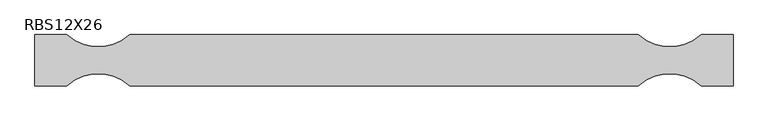
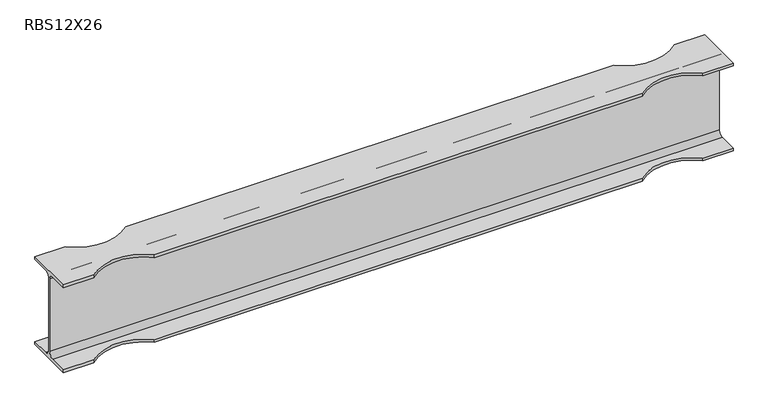
"""IFC4 building model written with IfcOpenShell, lengths in millimetres: beam geometry, RBS12X26."""

from ifc_helpers import new_model, si_unit, frame, origin, place, context, project, spatial, polyline, circle_curve, source, transform, mapped, element, save
from ifc_brep_helpers import plane_surface, revolved_surface, advanced_brep


def rbs12x26_81e14c49(model_context):
    return source(origin(), model_context, "Body", "AdvancedBrep", [
        advanced_brep(
        [(1116.9075003, 82.4011719, -145.5539063), (1116.9075003, 20.2902344, -145.5539063), (1116.9075003, 2.9269531, -128.190625), (1116.9075003, 2.9269531, 128.190625), (1116.9075003, 20.2902344, 145.5539062), (1116.9075003, 82.4011719, 145.5539062), (1116.9075003, 82.4011719, 155.178125), (1116.9075003, -82.4011719, 155.178125), (1116.9075003, -82.4011719, 145.5539062), (1116.9075003, -20.2902344, 145.5539062), (1116.9075003, -2.9269531, 128.190625), (1116.9075003, -2.9269531, -128.190625), (1116.9075003, -20.2902344, -145.5539063), (1116.9075003, -82.4011719, -145.5539063), (1116.9075003, -82.4011719, -155.178125), (1116.9075003, 82.4011719, -155.178125), (-1125.0163785, 82.4011719, -145.5539063), (-1125.0163785, 82.4011719, -155.178125), (-1125.0163785, -82.4011719, -155.178125), (-1125.0163785, -82.4011719, -145.5539063), (-1125.0163785, -20.2902344, -145.5539063), (-1125.0163785, -2.9269531, -128.190625), (-1125.0163785, -2.9269531, 128.190625), (-1125.0163785, -20.2902344, 145.5539062), (-1125.0163785, -82.4011719, 145.5539062), (-1125.0163785, -82.4011719, 155.178125), (-1125.0163785, 82.4011719, 155.178125), (-1125.0163785, 82.4011719, 145.5539062), (-1125.0163785, 20.2902344, 145.5539062), (-1125.0163785, 2.9269531, 128.190625), (-1125.0163785, 2.9269531, -128.190625), (-1125.0163785, 20.2902344, -145.5539063), (1015.3075003, 82.4011719, -145.5539063), (812.1075003, 82.4011719, -145.5539063), (-820.2163785, 82.4011719, -145.5539063), (-1023.4163785, 82.4011719, -145.5539063), (-1023.4163785, 82.4011719, 145.5539062), (-820.2163785, 82.4011719, 145.5539062), (812.1075003, 82.4011719, 145.5539062), (1015.3075003, 82.4011719, 145.5539062), (1015.3075003, 82.4011719, 155.178125), (-1023.4163785, 82.4011719, 155.178125), (-820.2163785, 82.4011719, 155.178125), (812.1075003, 82.4011719, 155.178125), (-1023.4163785, -82.4011719, 155.178125), (-820.2163785, -82.4011719, 155.178125), (812.1075003, -82.4011719, 155.178125), (1015.3075003, -82.4011719, 155.178125), (1015.3075003, -82.4011719, 145.5539062), (-1023.4163785, -82.4011719, 145.5539062), (-820.2163785, -82.4011719, 145.5539062), (812.1075003, -82.4011719, 145.5539062), (-1023.4163785, -82.4011719, -145.5539063), (-820.2163785, -82.4011719, -145.5539063), (812.1075003, -82.4011719, -145.5539063), (1015.3075003, -82.4011719, -145.5539063), (1015.3075003, -82.4011719, -155.178125), (-1023.4163785, -82.4011719, -155.178125), (-820.2163785, -82.4011719, -155.178125), (812.1075003, -82.4011719, -155.178125), (-1023.4163785, 82.4011719, -155.178125), (-820.2163785, 82.4011719, -155.178125), (812.1075003, 82.4011719, -155.178125), (1015.3075003, 82.4011719, -155.178125)],
        [
            (0, 1),
            (1, 2, circle_curve(frame((1116.9075003, 20.2902344, -128.190625), z_axis=(-1.0, 0.0, 0.0), x_axis=(0.0, -1.0, 0.0)), 17.3632812)),
            (2, 3),
            (3, 4, circle_curve(frame((1116.9075003, 20.2902344, 128.190625), z_axis=(-1.0, 0.0, 0.0), x_axis=(0.0, -1.0, 0.0)), 17.3632812)),
            (4, 5),
            (5, 6),
            (6, 7),
            (7, 8),
            (8, 9),
            (9, 10, circle_curve(frame((1116.9075003, -20.2902344, 128.190625), z_axis=(-1.0, 0.0, 0.0), x_axis=(0.0, -1.0, 0.0)), 17.3632812)),
            (10, 11),
            (11, 12, circle_curve(frame((1116.9075003, -20.2902344, -128.190625), z_axis=(-1.0, 0.0, 0.0), x_axis=(0.0, -1.0, 0.0)), 17.3632812)),
            (12, 13),
            (13, 14),
            (14, 15),
            (15, 0),
            (16, 17),
            (17, 18),
            (18, 19),
            (19, 20),
            (20, 21, circle_curve(frame((-1125.0163785, -20.2902344, -128.190625), z_axis=(1.0, 0.0, 0.0), x_axis=(0.0, -1.0, 0.0)), 17.3632812)),
            (21, 22),
            (22, 23, circle_curve(frame((-1125.0163785, -20.2902344, 128.190625), z_axis=(1.0, 0.0, 0.0), x_axis=(0.0, -1.0, 0.0)), 17.3632812)),
            (23, 24),
            (24, 25),
            (25, 26),
            (26, 27),
            (27, 28),
            (28, 29, circle_curve(frame((-1125.0163785, 20.2902344, 128.190625), z_axis=(1.0, 0.0, 0.0), x_axis=(0.0, -1.0, 0.0)), 17.3632812)),
            (29, 30),
            (30, 31, circle_curve(frame((-1125.0163785, 20.2902344, -128.190625), z_axis=(1.0, 0.0, 0.0), x_axis=(0.0, -1.0, 0.0)), 17.3632812)),
            (31, 16),
            (0, 32),
            (32, 33, circle_curve(frame((913.7075003, 195.9934251, -145.5539063), z_axis=(0.0, 0.0, -1.0), x_axis=(0.0, 1.0, 0.0)), 152.4)),
            (33, 34),
            (34, 35, circle_curve(frame((-921.8163785, 195.9934251, -145.5539063), z_axis=(0.0, 0.0, -1.0), x_axis=(0.0, 1.0, 0.0)), 152.4)),
            (35, 16),
            (31, 1),
            (30, 2),
            (29, 3),
            (28, 4),
            (27, 36),
            (36, 37, circle_curve(frame((-921.8163785, 195.9934251, 145.5539062), z_axis=(0.0, 0.0, 1.0), x_axis=(0.0, 1.0, 0.0)), 152.4)),
            (37, 38),
            (38, 39, circle_curve(frame((913.7075003, 195.9934251, 145.5539062), z_axis=(0.0, 0.0, 1.0), x_axis=(0.0, 1.0, 0.0)), 152.4)),
            (39, 5),
            (39, 40),
            (40, 6),
            (26, 41),
            (41, 36),
            (37, 42),
            (42, 43),
            (43, 38),
            (40, 43, circle_curve(frame((913.7075003, 195.9934251, 155.178125), z_axis=(0.0, 0.0, -1.0), x_axis=(0.0, 1.0, 0.0)), 152.4)),
            (42, 41, circle_curve(frame((-921.8163785, 195.9934251, 155.178125), z_axis=(0.0, 0.0, -1.0), x_axis=(0.0, 1.0, 0.0)), 152.4)),
            (25, 44),
            (44, 45, circle_curve(frame((-921.8163785, -195.9934251, 155.178125), z_axis=(0.0, 0.0, -1.0), x_axis=(0.0, 1.0, 0.0)), 152.4)),
            (45, 46),
            (46, 47, circle_curve(frame((913.7075003, -195.9934251, 155.178125), z_axis=(0.0, 0.0, -1.0), x_axis=(0.0, 1.0, 0.0)), 152.4)),
            (47, 7),
            (47, 48),
            (48, 8),
            (24, 49),
            (49, 44),
            (45, 50),
            (50, 51),
            (51, 46),
            (48, 51, circle_curve(frame((913.7075003, -195.9934251, 145.5539062), z_axis=(0.0, 0.0, 1.0), x_axis=(0.0, 1.0, 0.0)), 152.4)),
            (50, 49, circle_curve(frame((-921.8163785, -195.9934251, 145.5539062), z_axis=(0.0, 0.0, 1.0), x_axis=(0.0, 1.0, 0.0)), 152.4)),
            (23, 9),
            (22, 10),
            (21, 11),
            (20, 12),
            (19, 52),
            (52, 53, circle_curve(frame((-921.8163785, -195.9934251, -145.5539063), z_axis=(0.0, 0.0, -1.0), x_axis=(0.0, 1.0, 0.0)), 152.4)),
            (53, 54),
            (54, 55, circle_curve(frame((913.7075003, -195.9934251, -145.5539063), z_axis=(0.0, 0.0, -1.0), x_axis=(0.0, 1.0, 0.0)), 152.4)),
            (55, 13),
            (55, 56),
            (56, 14),
            (18, 57),
            (57, 52),
            (53, 58),
            (58, 59),
            (59, 54),
            (56, 59, circle_curve(frame((913.7075003, -195.9934251, -155.178125), z_axis=(0.0, 0.0, 1.0), x_axis=(0.0, 1.0, 0.0)), 152.4)),
            (58, 57, circle_curve(frame((-921.8163785, -195.9934251, -155.178125), z_axis=(0.0, 0.0, 1.0), x_axis=(0.0, 1.0, 0.0)), 152.4)),
            (17, 60),
            (60, 61, circle_curve(frame((-921.8163785, 195.9934251, -155.178125), z_axis=(0.0, 0.0, 1.0), x_axis=(0.0, 1.0, 0.0)), 152.4)),
            (61, 62),
            (62, 63, circle_curve(frame((913.7075003, 195.9934251, -155.178125), z_axis=(0.0, 0.0, 1.0), x_axis=(0.0, 1.0, 0.0)), 152.4)),
            (63, 15),
            (63, 32),
            (35, 60),
            (61, 34),
            (33, 62),
        ],
        [
            plane_surface(frame((1116.9075003, 0.0, 0.0), z_axis=(1.0, 0.0, 0.0), x_axis=(0.0, 0.0, 1.0))),
            plane_surface(frame((-1125.0163785, 0.0, 0.0), z_axis=(-1.0, 0.0, 0.0), x_axis=(0.0, 0.0, 1.0))),
            plane_surface(frame((1116.9075003, 82.4011719, -145.5539063), z_axis=(0.0, 0.0, 1.0), x_axis=(-1.0, 0.0, 0.0))),
            revolved_surface(polyline([(-1125.0163785000002, 2.9269532, -128.190625), (1116.9075003, 2.9269532, -128.190625)]), (1116.9075003, 20.2902344, -128.190625), (-1.0, 0.0, 0.0)),
            plane_surface(frame((1116.9075003, 2.9269531, -128.190625), z_axis=(0.0, 1.0, 0.0), x_axis=(-1.0, 0.0, 0.0))),
            revolved_surface(polyline([(-1125.0163785000002, 2.9269532, 128.190625), (1116.9075003, 2.9269532, 128.190625)]), (1116.9075003, 20.2902344, 128.190625), (-1.0, 0.0, 0.0)),
            plane_surface(frame((1116.9075003, 20.2902344, 145.5539062), z_axis=(0.0, 0.0, -1.0), x_axis=(-1.0, 0.0, 0.0))),
            plane_surface(frame((1116.9075003, 82.4011719, 145.5539062), z_axis=(0.0, 1.0, 0.0), x_axis=(-1.0, 0.0, 0.0))),
            plane_surface(frame((1116.9075003, 82.4011719, 155.178125), z_axis=(0.0, 0.0, 1.0), x_axis=(-1.0, 0.0, 0.0))),
            plane_surface(frame((1116.9075003, -82.4011719, 155.178125), z_axis=(0.0, -1.0, 0.0), x_axis=(-1.0, 0.0, 0.0))),
            plane_surface(frame((1116.9075003, -82.4011719, 145.5539062), z_axis=(0.0, 0.0, -1.0), x_axis=(-1.0, 0.0, 0.0))),
            revolved_surface(polyline([(-1125.0163785000002, -37.6535156, 128.190625), (1116.9075003, -37.6535156, 128.190625)]), (1116.9075003, -20.2902344, 128.190625), (-1.0, 0.0, 0.0)),
            plane_surface(frame((1116.9075003, -2.9269531, 128.190625), z_axis=(0.0, -1.0, 0.0), x_axis=(-1.0, 0.0, 0.0))),
            revolved_surface(polyline([(-1125.0163785000002, -37.6535156, -128.190625), (1116.9075003, -37.6535156, -128.190625)]), (1116.9075003, -20.2902344, -128.190625), (-1.0, 0.0, 0.0)),
            plane_surface(frame((1116.9075003, -20.2902344, -145.5539063), z_axis=(0.0, 0.0, 1.0), x_axis=(-1.0, 0.0, 0.0))),
            plane_surface(frame((1116.9075003, -82.4011719, -145.5539063), z_axis=(0.0, -1.0, 0.0), x_axis=(-1.0, 0.0, 0.0))),
            plane_surface(frame((1116.9075003, -82.4011719, -155.178125), z_axis=(0.0, 0.0, -1.0), x_axis=(-1.0, 0.0, 0.0))),
            plane_surface(frame((1116.9075003, 82.4011719, -155.178125), z_axis=(0.0, 1.0, 0.0), x_axis=(-1.0, 0.0, 0.0))),
            revolved_surface(polyline([(-921.8163785, -43.59342509999999, 155.178125), (-921.8163785, -43.59342509999999, 145.5539062)]), (-921.8163785, -195.9934251, -155.178125), (0.0, 0.0, 1.0)),
            revolved_surface(polyline([(-921.8163785, -43.59342509999999, -145.5539063), (-921.8163785, -43.59342509999999, -155.178125)]), (-921.8163785, -195.9934251, -155.178125), (0.0, 0.0, 1.0)),
            revolved_surface(polyline([(-921.8163785, 348.3934251, -145.5539063), (-921.8163785, 348.3934251, -155.178125)]), (-921.8163785, 195.9934251, -155.178125), (0.0, 0.0, 1.0)),
            revolved_surface(polyline([(-921.8163785, 348.3934251, 155.178125), (-921.8163785, 348.3934251, 145.5539062)]), (-921.8163785, 195.9934251, -155.178125), (0.0, 0.0, 1.0)),
            revolved_surface(polyline([(913.7075003, -43.59342509999999, 155.178125), (913.7075003, -43.59342509999999, 145.5539062)]), (913.7075003, -195.9934251, -155.178125), (0.0, 0.0, 1.0)),
            revolved_surface(polyline([(913.7075003, -43.59342509999999, -145.5539063), (913.7075003, -43.59342509999999, -155.178125)]), (913.7075003, -195.9934251, -155.178125), (0.0, 0.0, 1.0)),
            revolved_surface(polyline([(913.7075003, 348.3934251, -145.5539063), (913.7075003, 348.3934251, -155.178125)]), (913.7075003, 195.9934251, -155.178125), (0.0, 0.0, 1.0)),
            revolved_surface(polyline([(913.7075003, 348.3934251, 155.178125), (913.7075003, 348.3934251, 145.5539062)]), (913.7075003, 195.9934251, -155.178125), (0.0, 0.0, 1.0)),
        ],
        [
            (0, [[1, 2, 3, 4, 5, 6, 7, 8, 9, 10, 11, 12, 13, 14, 15, 16]]),
            (1, [[17, 18, 19, 20, 21, 22, 23, 24, 25, 26, 27, 28, 29, 30, 31, 32]]),
            (2, [[-1, 33, 34, 35, 36, 37, -32, 38]]),
            (3, [[-2, -38, -31, 39]]),
            (4, [[-3, -39, -30, 40]]),
            (5, [[-4, -40, -29, 41]]),
            (6, [[-5, -41, -28, 42, 43, 44, 45, 46]]),
            (7, [[-6, -46, 47, 48]]),
            (7, [[-27, 49, 50, -42]]),
            (7, [[51, 52, 53, -44]]),
            (8, [[-7, -48, 54, -52, 55, -49, -26, 56, 57, 58, 59, 60]]),
            (9, [[-8, -60, 61, 62]]),
            (9, [[-25, 63, 64, -56]]),
            (9, [[65, 66, 67, -58]]),
            (10, [[-9, -62, 68, -66, 69, -63, -24, 70]]),
            (11, [[-10, -70, -23, 71]]),
            (12, [[-11, -71, -22, 72]]),
            (13, [[-12, -72, -21, 73]]),
            (14, [[-13, -73, -20, 74, 75, 76, 77, 78]]),
            (15, [[-14, -78, 79, 80]]),
            (15, [[-19, 81, 82, -74]]),
            (15, [[83, 84, 85, -76]]),
            (16, [[-15, -80, 86, -84, 87, -81, -18, 88, 89, 90, 91, 92]]),
            (17, [[-16, -92, 93, -33]]),
            (17, [[-17, -37, 94, -88]]),
            (17, [[95, -35, 96, -90]]),
            (18, [[-57, -64, -69, -65]]),
            (19, [[-75, -82, -87, -83]]),
            (20, [[-36, -95, -89, -94]]),
            (21, [[-43, -50, -55, -51]]),
            (22, [[-59, -67, -68, -61]]),
            (23, [[-77, -85, -86, -79]]),
            (24, [[-34, -93, -91, -96]]),
            (25, [[-45, -53, -54, -47]]),
        ],
    ),
    ])


if __name__ == "__main__":
    model = new_model("IFC4")
    model_context = context("Model", 3, world=origin())
    ifc_project = project(units=[si_unit("LENGTHUNIT", "METRE", prefix="MILLI")], contexts=[model_context])
    site = spatial("IfcSite", under=ifc_project)
    building = spatial("IfcBuilding", under=site)
    placement = place(None, origin())
    rbs12x26_shape = rbs12x26_81e14c49(model_context)
    element("IfcBeam", 1, ObjectType="RBS12X26", at=placement, inside=building, context=model_context, shape_type="MappedRepresentation", body=[
        mapped(rbs12x26_shape, transform((0.0, 0.0, 0.0), x_axis=(1.0, 0.0, 0.0), y_axis=(0.0, 1.0, 0.0), z_axis=(0.0, 0.0, 1.0))),
    ])
    save(model, "model.ifc")
